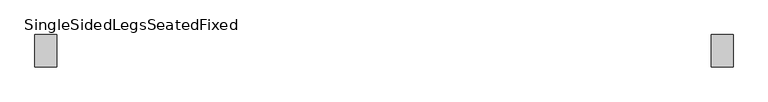
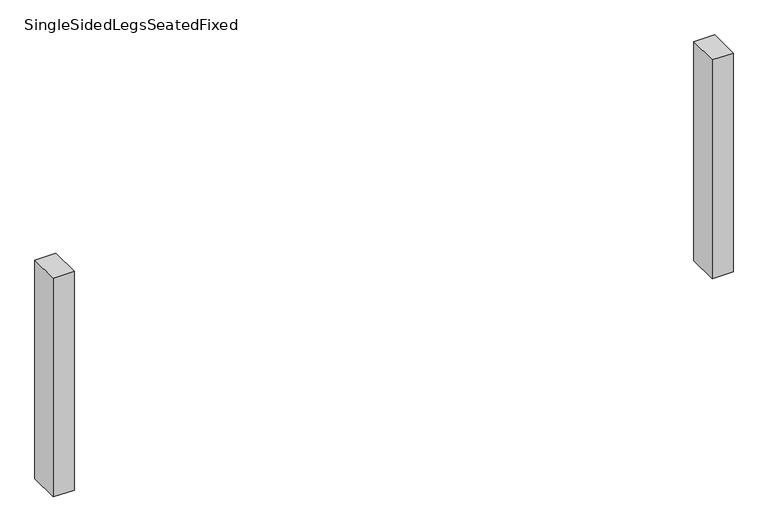
"""IFC4 building model written with IfcOpenShell, lengths in millimetres: furniture geometry, SingleSidedLegsSeatedFixed."""

from ifc_helpers import new_model, si_unit, frame, origin, place, context, project, spatial, polyline, outline, extrude, source, transform, mapped, element, save


def singlesidedlegsseatedfixed_470cf9b8(model_context):
    return source(origin(), model_context, "Body", "SweptSolid", [
        extrude(outline(polyline([(909.9999968, -44.9963087), (909.9999968, 45.0036847), (970.0, 45.0036847), (970.0, -44.9963087), (909.9999968, -44.9963087)])), frame((0.0, 0.0, 50.0), z_axis=(0.0, 0.0, 1.0), x_axis=(1.0, 0.0, 0.0)), (0.0, 0.0, 1.0), 660.0),
        extrude(outline(polyline([(-909.9999968, -44.9963087), (-970.0, -44.9963087), (-970.0, 45.0036847), (-909.9999968, 45.0036847), (-909.9999968, -44.9963087)])), frame((0.0, 0.0, 50.0), z_axis=(0.0, 0.0, 1.0), x_axis=(1.0, 0.0, 0.0)), (0.0, 0.0, 1.0), 660.0),
    ])


if __name__ == "__main__":
    model = new_model("IFC4")
    model_context = context("Model", 3, world=origin())
    ifc_project = project(units=[si_unit("LENGTHUNIT", "METRE", prefix="MILLI")], contexts=[model_context])
    site = spatial("IfcSite", under=ifc_project)
    building = spatial("IfcBuilding", under=site)
    placement = place(None, origin())
    singlesidedlegsseatedfixed_shape = singlesidedlegsseatedfixed_470cf9b8(model_context)
    element("IfcFurniture", 1, ObjectType="SingleSidedLegsSeatedFixed", at=placement, inside=building, context=model_context, shape_type="MappedRepresentation", body=[
        mapped(singlesidedlegsseatedfixed_shape, transform((0.0, 0.0, 0.0), x_axis=(1.0, 0.0, 0.0), y_axis=(0.0, 1.0, 0.0), z_axis=(0.0, 0.0, 1.0))),
    ])
    save(model, "model.ifc")
